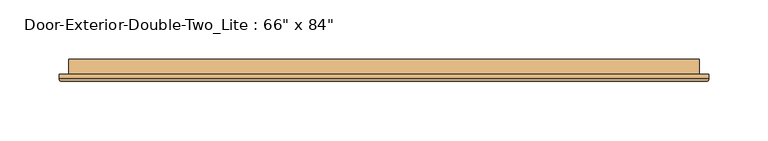
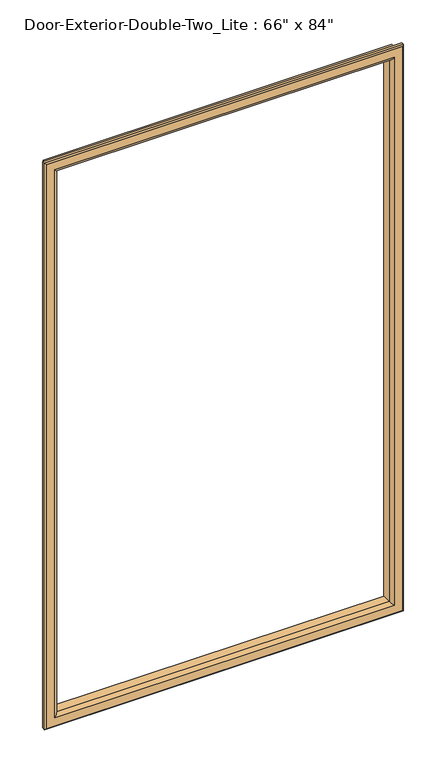
"""IFC4 building model written with IfcOpenShell, lengths in millimetres: door geometry."""

from ifc_helpers import new_model, si_unit, frame, origin, place, context, project, spatial, ellipse_curve, source, transform, mapped, element, save
from ifc_brep_helpers import plane_surface, cylinder_surface, advanced_brep


def door_bfba3465(model_context):
    return source(origin(), model_context, "Body", "AdvancedBrep", [
        advanced_brep(
        [(-685.8, 125.4125, 1117.6), (-685.8, 112.7125, 1117.6), (-685.8, 112.7125, 2016.125), (-685.8, 125.4125, 2016.125), (-673.8, 111.7125, 1129.6), (-673.8, 125.4125, 1129.6), (-673.8, 125.4125, 2004.125), (-673.8, 111.7125, 2004.125), (-678.8, 106.7125, 1124.6), (-678.8, 106.7125, 2009.125), (-693.8, 108.7125, 1109.6), (-691.8, 106.7125, 1111.6), (-691.8, 106.7125, 2022.125), (-693.8, 108.7125, 2024.125), (-693.8, 112.7125, 1109.6), (-693.8, 112.7125, 2024.125), (-152.4, 112.7125, 2016.125), (-152.4, 125.4125, 2016.125), (-164.4, 125.4125, 2004.125), (-164.4, 111.7125, 2004.125), (-159.4, 106.7125, 2009.125), (-146.4, 106.7125, 2022.125), (-144.4, 108.7125, 2024.125), (-144.4, 112.7125, 2024.125), (-152.4, 112.7125, 1117.6), (-152.4, 125.4125, 1117.6), (-164.4, 125.4125, 1129.6), (-164.4, 111.7125, 1129.6), (-159.4, 106.7125, 1124.6), (-146.4, 106.7125, 1111.6), (-144.4, 108.7125, 1109.6), (-144.4, 112.7125, 1109.6)],
        [
            (0, 1),
            (1, 2),
            (2, 3),
            (3, 0),
            (4, 5),
            (5, 6),
            (6, 7),
            (7, 4),
            (8, 4, ellipse_curve(frame((-678.8, 111.7125, 1124.6), z_axis=(-0.7071067811865475, 0.0, 0.7071067811865475), x_axis=(-0.7071067811865474, 0.0, -0.7071067811865476)), 7.0710678, 5.0)),
            (7, 9, ellipse_curve(frame((-678.8, 111.7125, 2009.125), z_axis=(-0.7071067811865475, 0.0, -0.7071067811865475), x_axis=(0.7071067811865474, 0.0, -0.7071067811865476)), 7.0710678, 5.0)),
            (9, 8),
            (10, 11, ellipse_curve(frame((-691.8, 108.7125, 1111.6), z_axis=(-0.7071067811865475, 0.0, 0.7071067811865475), x_axis=(-0.7071067811865474, 0.0, -0.7071067811865476)), 2.8284271, 2.0)),
            (11, 12),
            (12, 13, ellipse_curve(frame((-691.8, 108.7125, 2022.125), z_axis=(-0.7071067811865475, 0.0, -0.7071067811865475), x_axis=(0.7071067811865474, 0.0, -0.7071067811865476)), 2.8284271, 2.0)),
            (13, 10),
            (14, 10),
            (13, 15),
            (15, 14),
            (2, 16),
            (16, 17),
            (17, 3),
            (6, 18),
            (18, 19),
            (19, 7),
            (19, 20, ellipse_curve(frame((-159.4, 111.7125, 2009.125), z_axis=(-0.7071067811865475, 0.0, 0.7071067811865475), x_axis=(-0.7071067811865476, 0.0, -0.7071067811865474)), 7.0710678, 5.0)),
            (20, 9),
            (12, 21),
            (21, 22, ellipse_curve(frame((-146.4, 108.7125, 2022.125), z_axis=(-0.7071067811865475, 0.0, 0.7071067811865475), x_axis=(-0.7071067811865476, 0.0, -0.7071067811865474)), 2.8284271, 2.0)),
            (22, 13),
            (22, 23),
            (23, 15),
            (16, 24),
            (24, 25),
            (25, 17),
            (18, 26),
            (26, 27),
            (27, 19),
            (27, 28, ellipse_curve(frame((-159.4, 111.7125, 1124.6), z_axis=(0.7071067811865475, 0.0, 0.7071067811865475), x_axis=(-0.7071067811865474, 0.0, 0.7071067811865476)), 7.0710678, 5.0)),
            (28, 20),
            (21, 29),
            (29, 30, ellipse_curve(frame((-146.4, 108.7125, 1111.6), z_axis=(0.7071067811865475, 0.0, 0.7071067811865475), x_axis=(-0.7071067811865474, 0.0, 0.7071067811865476)), 2.8284271, 2.0)),
            (30, 22),
            (30, 31),
            (31, 23),
            (31, 14),
            (1, 24),
            (0, 25),
            (5, 26),
            (4, 27),
            (8, 28),
            (11, 29),
            (10, 30),
        ],
        [
            plane_surface(frame((-685.8, 112.7125, 1117.6), z_axis=(-1.0, 0.0, 0.0), x_axis=(0.0, 0.0, 1.0))),
            plane_surface(frame((-673.8, 125.4125, 1129.6), z_axis=(1.0, 0.0, 0.0), x_axis=(0.0, 0.0, 1.0))),
            cylinder_surface(frame((-678.8, 111.7125, 1117.6), z_axis=(0.0, 0.0, -1.0), x_axis=(-1.0, 0.0, 0.0)), 5.0),
            cylinder_surface(frame((-691.8, 108.7125, 1117.6), z_axis=(0.0, 0.0, -1.0), x_axis=(-1.0, 0.0, 0.0)), 2.0),
            plane_surface(frame((-693.8, 108.7125, 1109.6), z_axis=(-1.0, 0.0, 0.0), x_axis=(0.0, 0.0, 1.0))),
            plane_surface(frame((-685.8, 112.7125, 2016.125), z_axis=(0.0, 0.0, 1.0), x_axis=(1.0, 0.0, 0.0))),
            plane_surface(frame((-673.8, 125.4125, 2004.125), z_axis=(0.0, 0.0, -1.0), x_axis=(1.0, 0.0, 0.0))),
            cylinder_surface(frame((-685.8, 111.7125, 2009.125), z_axis=(-1.0, 0.0, 0.0), x_axis=(0.0, 0.0, 1.0)), 5.0),
            cylinder_surface(frame((-685.8, 108.7125, 2022.125), z_axis=(-1.0, 0.0, 0.0), x_axis=(0.0, 0.0, 1.0)), 2.0),
            plane_surface(frame((-693.8, 108.7125, 2024.125), z_axis=(0.0, 0.0, 1.0), x_axis=(1.0, 0.0, 0.0))),
            plane_surface(frame((-152.4, 112.7125, 2016.125), z_axis=(1.0, 0.0, 0.0), x_axis=(0.0, 0.0, -1.0))),
            plane_surface(frame((-164.4, 125.4125, 2004.125), z_axis=(-1.0, 0.0, 0.0), x_axis=(0.0, 0.0, -1.0))),
            cylinder_surface(frame((-159.4, 111.7125, 2016.125), z_axis=(0.0, 0.0, 1.0), x_axis=(1.0, 0.0, 0.0)), 5.0),
            cylinder_surface(frame((-146.4, 108.7125, 2016.125), z_axis=(0.0, 0.0, 1.0), x_axis=(1.0, 0.0, 0.0)), 2.0),
            plane_surface(frame((-144.4, 108.7125, 2024.125), z_axis=(1.0, 0.0, 0.0), x_axis=(0.0, 0.0, -1.0))),
            plane_surface(frame((-144.4, 112.7125, 1109.6), z_axis=(0.0, 1.0, 0.0), x_axis=(-1.0, 0.0, 0.0))),
            plane_surface(frame((-152.4, 112.7125, 1117.6), z_axis=(0.0, 0.0, -1.0), x_axis=(-1.0, 0.0, 0.0))),
            plane_surface(frame((-152.4, 125.4125, 1117.6), z_axis=(0.0, 1.0, 0.0), x_axis=(-1.0, 0.0, 0.0))),
            plane_surface(frame((-164.4, 125.4125, 1129.6), z_axis=(0.0, 0.0, 1.0), x_axis=(-1.0, 0.0, 0.0))),
            cylinder_surface(frame((-152.4, 111.7125, 1124.6), z_axis=(1.0, 0.0, 0.0), x_axis=(0.0, 0.0, -1.0)), 5.0),
            plane_surface(frame((-159.4, 106.7125, 1124.6), z_axis=(0.0, -1.0, 0.0), x_axis=(-1.0, 0.0, 0.0))),
            cylinder_surface(frame((-152.4, 108.7125, 1111.6), z_axis=(1.0, 0.0, 0.0), x_axis=(0.0, 0.0, -1.0)), 2.0),
            plane_surface(frame((-144.4, 108.7125, 1109.6), z_axis=(0.0, 0.0, -1.0), x_axis=(-1.0, 0.0, 0.0))),
        ],
        [
            (0, [[1, 2, 3, 4]]),
            (1, [[5, 6, 7, 8]]),
            (2, [[9, -8, 10, 11]]),
            (3, [[12, 13, 14, 15]]),
            (4, [[16, -15, 17, 18]]),
            (5, [[-3, 19, 20, 21]]),
            (6, [[-7, 22, 23, 24]]),
            (7, [[-10, -24, 25, 26]]),
            (8, [[-14, 27, 28, 29]]),
            (9, [[-17, -29, 30, 31]]),
            (10, [[-20, 32, 33, 34]]),
            (11, [[-23, 35, 36, 37]]),
            (12, [[-25, -37, 38, 39]]),
            (13, [[-28, 40, 41, 42]]),
            (14, [[-30, -42, 43, 44]]),
            (15, [[-31, -44, 45, -18], [46, -32, -19, -2]]),
            (16, [[-33, -46, -1, 47]]),
            (17, [[-21, -34, -47, -4], [48, -35, -22, -6]]),
            (18, [[-36, -48, -5, 49]]),
            (19, [[-38, -49, -9, 50]]),
            (20, [[51, -40, -27, -13], [-26, -39, -50, -11]]),
            (21, [[-41, -51, -12, 52]]),
            (22, [[-43, -52, -16, -45]]),
        ],
    ),
    ])


if __name__ == "__main__":
    model = new_model("IFC4")
    model_context = context("Model", 3, world=origin())
    ifc_project = project(units=[si_unit("LENGTHUNIT", "METRE", prefix="MILLI")], contexts=[model_context])
    site = spatial("IfcSite", under=ifc_project)
    building = spatial("IfcBuilding", under=site)
    placement = place(None, origin())
    door_shape = door_bfba3465(model_context)
    element("IfcDoor", 1, ObjectType="Door-Exterior-Double-Two_Lite : 66\" x 84\"", at=placement, inside=building, context=model_context, shape_type="MappedRepresentation", body=[
        mapped(door_shape, transform((0.0, 0.0, 0.0), x_axis=(1.0, 0.0, 0.0), y_axis=(0.0, 1.0, 0.0), z_axis=(0.0, 0.0, 1.0))),
    ])
    save(model, "model.ifc")
